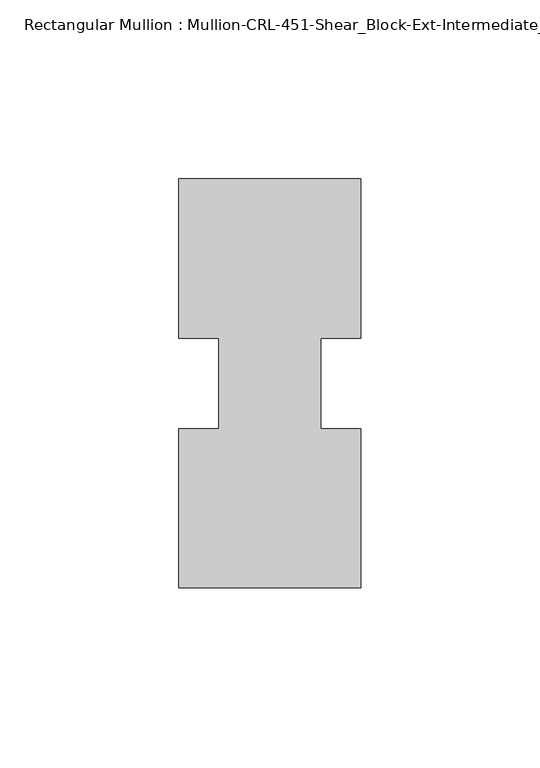
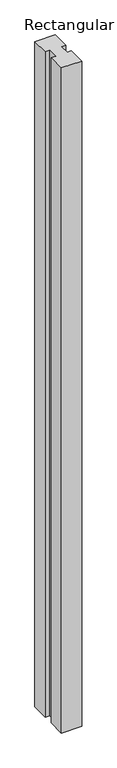
"""IFC4 building model written with IfcOpenShell, lengths in millimetres: member geometry, Rectangular Mullion : Mullion-CRL-451-Shear_Block-Ext-Intermediate_Horizontal."""

from ifc_helpers import new_model, si_unit, frame, origin, place, context, project, spatial, polyline, outline, extrude, source, transform, mapped, element, save


def rectangular_mullion_mullion_crl_451_shear_block_ext_0b9a46d7(model_context):
    return source(origin(), model_context, "Body", "SweptSolid", [
        extrude(outline(polyline([(-25.4, 57.1500171), (25.4, 57.1500171), (25.4, 12.7000171), (14.2875, 12.7000171), (14.2875, -12.7000171), (25.4, -12.7000171), (25.4, -57.1499829), (-25.4, -57.1499829), (-25.4, -12.7000171), (-14.2875, -12.7000171), (-14.2875, 12.7000171), (-25.4, 12.7000171), (-25.4, 57.1500171)])), frame((0.0, 0.0, -1752.6), z_axis=(0.0, 0.0, 1.0), x_axis=(1.0, 0.0, 0.0)), (0.0, 0.0, 1.0), 1752.6),
    ])


if __name__ == "__main__":
    model = new_model("IFC4")
    model_context = context("Model", 3, world=origin())
    ifc_project = project(units=[si_unit("LENGTHUNIT", "METRE", prefix="MILLI")], contexts=[model_context])
    site = spatial("IfcSite", under=ifc_project)
    building = spatial("IfcBuilding", under=site)
    placement = place(None, origin())
    rectangular_mullion_mullion_crl_451_shear_block_ext_shape = rectangular_mullion_mullion_crl_451_shear_block_ext_0b9a46d7(model_context)
    element("IfcMember", 1, ObjectType="Rectangular Mullion : Mullion-CRL-451-Shear_Block-Ext-Intermediate_Horizontal", at=placement, inside=building, context=model_context, shape_type="MappedRepresentation", body=[
        mapped(rectangular_mullion_mullion_crl_451_shear_block_ext_shape, transform((0.0, 0.0, 0.0), x_axis=(1.0, 0.0, 0.0), y_axis=(0.0, 1.0, 0.0), z_axis=(0.0, 0.0, 1.0))),
    ])
    save(model, "model.ifc")
